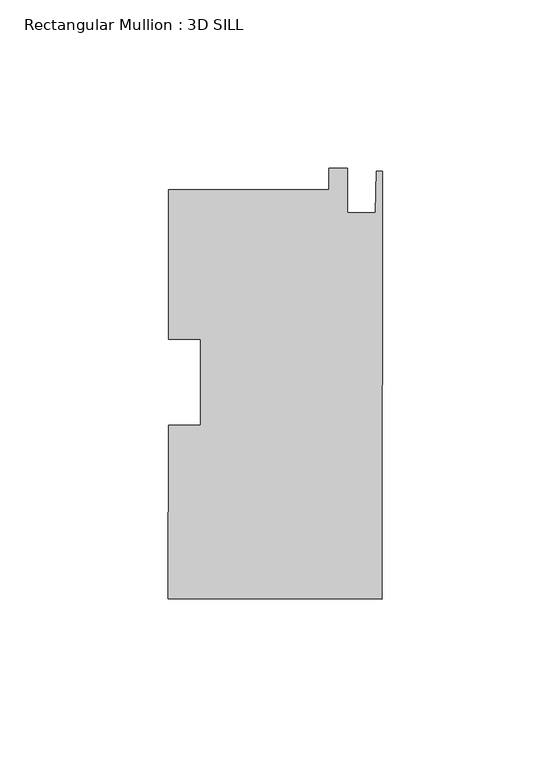
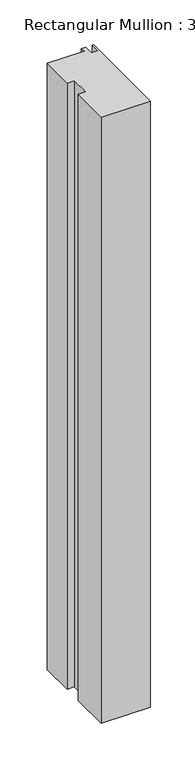
"""IFC4 building model written with IfcOpenShell, lengths in millimetres: member geometry, Rectangular Mullion : 3D SILL."""

from ifc_helpers import new_model, si_unit, frame, origin, place, context, project, spatial, polyline, outline, extrude, source, transform, mapped, element, save


def rectangular_mullion_3d_sill_533ff29d(model_context):
    return source(origin(), model_context, "Body", "SweptSolid", [
        extrude(outline(polyline([(-15.8785297, 57.0944487), (-15.8744967, 63.4444474), (-10.3118978, 63.4409144), (-10.3202382, 50.3091171), (-2.0398398, 50.303858), (-1.7779996, 62.6480942), (0.0, 62.6469649), (-0.0806567, -64.3465324), (-63.5806439, -64.306202), (-63.5479185, -12.7802285), (-54.0229204, -12.7862781), (-54.0067326, 12.7014151), (-63.5317306, 12.7074647), (-63.5035201, 57.1246965), (-15.8785297, 57.0944487)])), frame((0.0, 0.0, -831.6706924), z_axis=(0.0, 0.0, 1.0), x_axis=(1.0, 0.0, 0.0)), (0.0, 0.0, 1.0), 831.6706924),
    ])


if __name__ == "__main__":
    model = new_model("IFC4")
    model_context = context("Model", 3, world=origin())
    ifc_project = project(units=[si_unit("LENGTHUNIT", "METRE", prefix="MILLI")], contexts=[model_context])
    site = spatial("IfcSite", under=ifc_project)
    building = spatial("IfcBuilding", under=site)
    placement = place(None, origin())
    rectangular_mullion_3d_sill_shape = rectangular_mullion_3d_sill_533ff29d(model_context)
    element("IfcMember", 1, ObjectType="Rectangular Mullion : 3D SILL", at=placement, inside=building, context=model_context, shape_type="MappedRepresentation", body=[
        mapped(rectangular_mullion_3d_sill_shape, transform((0.0, 0.0, 0.0), x_axis=(1.0, 0.0, 0.0), y_axis=(0.0, 1.0, 0.0), z_axis=(0.0, 0.0, 1.0))),
    ])
    save(model, "model.ifc")
